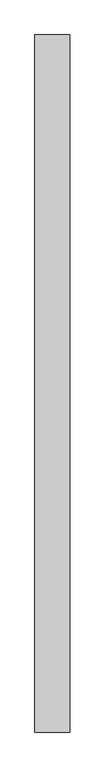
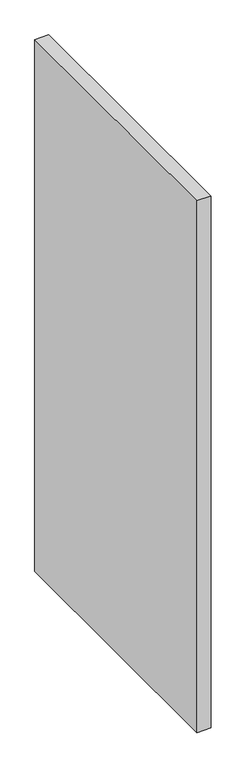
"""IFC4 building model written with IfcOpenShell, lengths in millimetres: proxy geometry."""

from ifc_helpers import new_model, si_unit, origin, origin_with_axes, place, context, project, spatial, polyline, outline, extrude, source, transform, mapped, element, save


def generic_models_b4e63365(model_context):
    return source(origin(), model_context, "Body", "SweptSolid", [
        extrude(outline(polyline([(100.0, -2000.0), (0.0, -2000.0), (0.0, 0.0), (100.0, 0.0), (100.0, -2000.0)])), origin_with_axes(), (0.0, 0.0, 1.0), 4000.0),
    ])


if __name__ == "__main__":
    model = new_model("IFC4")
    model_context = context("Model", 3, world=origin())
    ifc_project = project(units=[si_unit("LENGTHUNIT", "METRE", prefix="MILLI")], contexts=[model_context])
    site = spatial("IfcSite", under=ifc_project)
    building = spatial("IfcBuilding", under=site)
    placement = place(None, origin())
    generic_models_shape = generic_models_b4e63365(model_context)
    element("IfcBuildingElementProxy", 1, Name="Generic Models", at=placement, inside=building, context=model_context, shape_type="MappedRepresentation", body=[
        mapped(generic_models_shape, transform((0.0, 0.0, 0.0), x_axis=(1.0, 0.0, 0.0), y_axis=(0.0, 1.0, 0.0), z_axis=(0.0, 0.0, 1.0))),
    ])
    save(model, "model.ifc")
